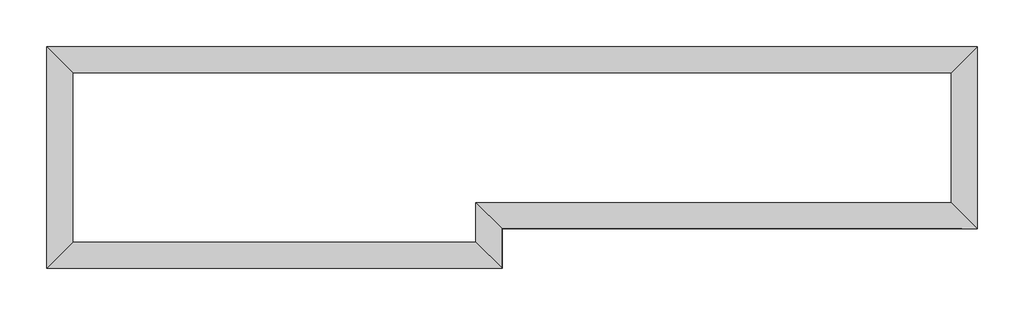
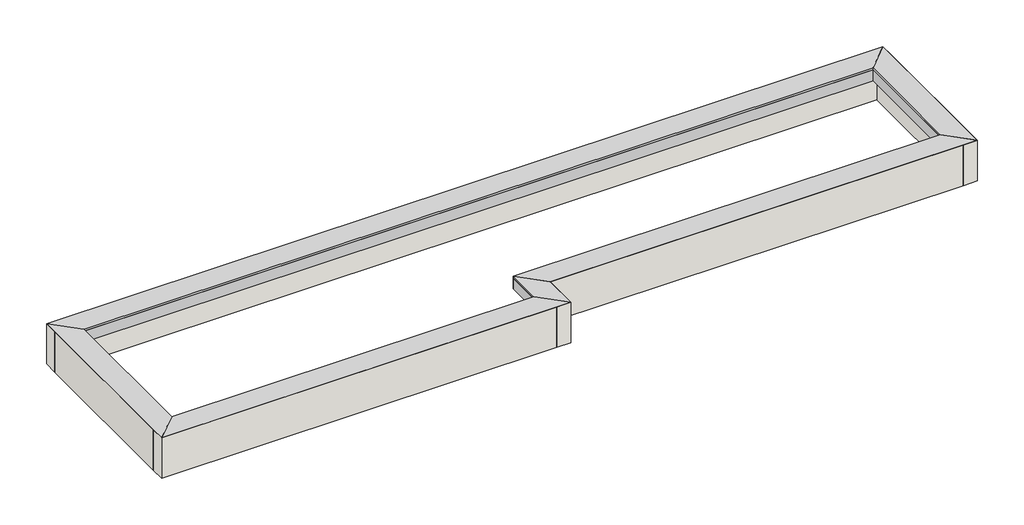
# One storey: 12 proxies, 6 walls.
"""IFC4 building model written with IfcOpenShell, lengths in millimetres."""

from ifc_helpers import new_model, si_unit, frame, origin, place, context, project, spatial, polyline, outline, extrude, faceted_brep, element, save

model = new_model("IFC4")

# Units and contexts
model_context = context("Model", 3, world=origin())
ifc_project = project(units=[si_unit("LENGTHUNIT", "METRE", prefix="MILLI")], contexts=[model_context])

# Site, building, storey
site = spatial("IfcSite", under=ifc_project)
building = spatial("IfcBuilding", under=site)
storey = spatial("IfcBuildingStorey", under=building, Elevation=35600.0)

# Proxies
placement = place(None, origin())
element("IfcBuildingElementProxy", 1, Name="Reveals", at=placement, inside=storey, context=model_context, shape_type="Brep", body=[
    faceted_brep([(-20715.9784025, 15519.6868987, 36170.0), (-20715.9784025, 15519.6868987, 36200.0), (-21045.9784025, 15849.6868987, 36200.0), (-9625.9784025, 15519.6868987, 36170.0), (-9295.9784025, 15849.6868987, 36200.0), (-9625.9784025, 15519.6868987, 36200.0)], [[[0, 1, 2]], [[3, 4, 5]], [[1, 0, 3, 5]], [[2, 1, 5, 4]], [[0, 2, 4, 3]]]),
])
element("IfcBuildingElementProxy", 2, Name="Wall Sweeps", at=placement, inside=storey, context=model_context, shape_type="Brep", body=[
    faceted_brep([(-20715.9784025, 15519.6868987, 36010.0), (-20715.9784025, 15519.6868987, 36170.0), (-21045.9784025, 15849.6868987, 36200.0), (-20845.9784025, 15649.6868987, 36010.0), (-9625.9784025, 15519.6868987, 36010.0), (-9495.9784025, 15649.6868987, 36010.0), (-9295.9784025, 15849.6868987, 36200.0), (-9625.9784025, 15519.6868987, 36170.0)], [[[0, 1, 2, 3]], [[4, 5, 6, 7]], [[1, 0, 4, 7]], [[2, 1, 7, 6]], [[3, 2, 6, 5]], [[0, 3, 5, 4]]]),
])
element("IfcBuildingElementProxy", 3, Name="Reveals", at=placement, inside=storey, context=model_context, shape_type="Brep", body=[
    faceted_brep([(-9625.9784025, 15519.6868987, 36170.0), (-9625.9784025, 15519.6868987, 36200.0), (-9295.9784025, 15849.6868987, 36200.0), (-9625.9784025, 13879.6868987, 36170.0), (-9295.9784025, 13549.6868987, 36200.0), (-9625.9784025, 13879.6868987, 36200.0)], [[[0, 1, 2]], [[3, 4, 5]], [[1, 0, 3, 5]], [[2, 1, 5, 4]], [[0, 2, 4, 3]]]),
])
element("IfcBuildingElementProxy", 4, Name="Wall Sweeps", at=placement, inside=storey, context=model_context, shape_type="Brep", body=[
    faceted_brep([(-9625.9784025, 15519.6868987, 36010.0), (-9625.9784025, 15519.6868987, 36170.0), (-9295.9784025, 15849.6868987, 36200.0), (-9495.9784025, 15649.6868987, 36010.0), (-9625.9784025, 13879.6868987, 36010.0), (-9495.9784025, 13749.6868987, 36010.0), (-9295.9784025, 13549.6868987, 36200.0), (-9625.9784025, 13879.6868987, 36170.0)], [[[0, 1, 2, 3]], [[4, 5, 6, 7]], [[1, 0, 4, 7]], [[2, 1, 7, 6]], [[3, 2, 6, 5]], [[0, 3, 5, 4]]]),
])
element("IfcBuildingElementProxy", 5, Name="Reveals", at=placement, inside=storey, context=model_context, shape_type="Brep", body=[
    faceted_brep([(-9625.9784025, 13879.6868987, 36170.0), (-9625.9784025, 13879.6868987, 36200.0), (-9295.9784025, 13549.6868987, 36200.0), (-15625.9784025, 13879.6868987, 36170.0), (-15295.9784025, 13549.6868987, 36200.0), (-15625.9784025, 13879.6868987, 36200.0)], [[[0, 1, 2]], [[3, 4, 5]], [[1, 0, 3, 5]], [[2, 1, 5, 4]], [[0, 2, 4, 3]]]),
])
element("IfcBuildingElementProxy", 6, Name="Wall Sweeps", at=placement, inside=storey, context=model_context, shape_type="Brep", body=[
    faceted_brep([(-9625.9784025, 13879.6868987, 36010.0), (-9625.9784025, 13879.6868987, 36170.0), (-9295.9784025, 13549.6868987, 36200.0), (-9495.9784025, 13749.6868987, 36010.0), (-15625.9784025, 13879.6868987, 36010.0), (-15495.9784025, 13749.6868987, 36010.0), (-15295.9784025, 13549.6868987, 36200.0), (-15625.9784025, 13879.6868987, 36170.0)], [[[0, 1, 2, 3]], [[4, 5, 6, 7]], [[1, 0, 4, 7]], [[2, 1, 7, 6]], [[3, 2, 6, 5]], [[0, 3, 5, 4]]]),
])
element("IfcBuildingElementProxy", 7, Name="Reveals", at=placement, inside=storey, context=model_context, shape_type="Brep", body=[
    faceted_brep([(-15625.9784025, 13879.6868987, 36170.0), (-15625.9784025, 13879.6868987, 36200.0), (-15295.9784025, 13549.6868987, 36200.0), (-15625.9784025, 13379.6868987, 36170.0), (-15295.9784025, 13049.6868987, 36200.0), (-15625.9784025, 13379.6868987, 36200.0)], [[[0, 1, 2]], [[3, 4, 5]], [[1, 0, 3, 5]], [[2, 1, 5, 4]], [[0, 2, 4, 3]]]),
])
element("IfcBuildingElementProxy", 8, Name="Wall Sweeps", at=placement, inside=storey, context=model_context, shape_type="Brep", body=[
    faceted_brep([(-15625.9784025, 13879.6868987, 36010.0), (-15625.9784025, 13879.6868987, 36170.0), (-15295.9784025, 13549.6868987, 36200.0), (-15495.9784025, 13749.6868987, 36010.0), (-15625.9784025, 13379.6868987, 36010.0), (-15495.9784025, 13249.6868987, 36010.0), (-15295.9784025, 13049.6868987, 36200.0), (-15625.9784025, 13379.6868987, 36170.0)], [[[0, 1, 2, 3]], [[4, 5, 6, 7]], [[1, 0, 4, 7]], [[2, 1, 7, 6]], [[3, 2, 6, 5]], [[0, 3, 5, 4]]]),
])
element("IfcBuildingElementProxy", 9, Name="Reveals", at=placement, inside=storey, context=model_context, shape_type="Brep", body=[
    faceted_brep([(-15625.9784025, 13379.6868987, 36170.0), (-15625.9784025, 13379.6868987, 36200.0), (-15295.9784025, 13049.6868987, 36200.0), (-20715.9784025, 13379.6868987, 36170.0), (-21045.9784025, 13049.6868987, 36200.0), (-20715.9784025, 13379.6868987, 36200.0)], [[[0, 1, 2]], [[3, 4, 5]], [[1, 0, 3, 5]], [[2, 1, 5, 4]], [[0, 2, 4, 3]]]),
])
element("IfcBuildingElementProxy", 10, Name="Wall Sweeps", at=placement, inside=storey, context=model_context, shape_type="Brep", body=[
    faceted_brep([(-15625.9784025, 13379.6868987, 36010.0), (-15625.9784025, 13379.6868987, 36170.0), (-15295.9784025, 13049.6868987, 36200.0), (-15495.9784025, 13249.6868987, 36010.0), (-20715.9784025, 13379.6868987, 36010.0), (-20845.9784025, 13249.6868987, 36010.0), (-21045.9784025, 13049.6868987, 36200.0), (-20715.9784025, 13379.6868987, 36170.0)], [[[0, 1, 2, 3]], [[4, 5, 6, 7]], [[1, 0, 4, 7]], [[2, 1, 7, 6]], [[3, 2, 6, 5]], [[0, 3, 5, 4]]]),
])
element("IfcBuildingElementProxy", 11, Name="Reveals", at=placement, inside=storey, context=model_context, shape_type="Brep", body=[
    faceted_brep([(-20715.9784025, 13379.6868987, 36170.0), (-20715.9784025, 13379.6868987, 36200.0), (-21045.9784025, 13049.6868987, 36200.0), (-20715.9784025, 15519.6868987, 36170.0), (-21045.9784025, 15849.6868987, 36200.0), (-20715.9784025, 15519.6868987, 36200.0)], [[[0, 1, 2]], [[3, 4, 5]], [[1, 0, 3, 5]], [[2, 1, 5, 4]], [[0, 2, 4, 3]]]),
])
element("IfcBuildingElementProxy", 12, Name="Wall Sweeps", at=placement, inside=storey, context=model_context, shape_type="Brep", body=[
    faceted_brep([(-20715.9784025, 13379.6868987, 36010.0), (-20715.9784025, 13379.6868987, 36170.0), (-21045.9784025, 13049.6868987, 36200.0), (-20845.9784025, 13249.6868987, 36010.0), (-20715.9784025, 15519.6868987, 36010.0), (-20845.9784025, 15649.6868987, 36010.0), (-21045.9784025, 15849.6868987, 36200.0), (-20715.9784025, 15519.6868987, 36170.0)], [[[0, 1, 2, 3]], [[4, 5, 6, 7]], [[1, 0, 4, 7]], [[2, 1, 7, 6]], [[3, 2, 6, 5]], [[0, 3, 5, 4]]]),
])

# Walls
element("IfcWall", 13, at=placement, inside=storey, context=model_context, shape_type="Brep", body=[
    faceted_brep([(-21045.9784025, 15649.6868987, 35600.0), (-20845.9784025, 15649.6868987, 35600.0), (-9495.9784025, 15649.6868987, 35600.0), (-9295.9784025, 15649.6868987, 35600.0), (-9295.9784025, 15649.6868987, 36200.0), (-9495.9784025, 15649.6868987, 36010.0), (-20845.9784025, 15649.6868987, 36010.0), (-21045.9784025, 15649.6868987, 36200.0), (-9295.9784025, 15849.6868987, 35600.0), (-21045.9784025, 15849.6868987, 35600.0), (-21045.9784025, 15849.6868987, 36200.0), (-9295.9784025, 15849.6868987, 36200.0)], [[[0, 1, 2, 3, 4, 5, 6, 7]], [[8, 9, 10, 11]], [[3, 2, 1, 0, 9, 8]], [[10, 6, 5, 11]], [[4, 3, 8, 11]], [[11, 5, 4]], [[0, 7, 10, 9]], [[6, 10, 7]]]),
])
element("IfcWall", 14, at=placement, inside=storey, context=model_context, shape_type="Brep", body=[
    faceted_brep([(-9495.9784025, 15649.6868987, 35600.0), (-9495.9784025, 13749.6868987, 35600.0), (-9495.9784025, 13549.6868987, 35600.0), (-9495.9784025, 13549.6868987, 36200.0), (-9495.9784025, 13749.6868987, 36010.0), (-9495.9784025, 15649.6868987, 36010.0), (-9295.9784025, 13549.6868987, 35600.0), (-9295.9784025, 15649.6868987, 35600.0), (-9295.9784025, 15649.6868987, 36200.0), (-9295.9784025, 13549.6868987, 36200.0)], [[[0, 1, 2, 3, 4, 5]], [[6, 7, 8, 9]], [[2, 1, 0, 7, 6]], [[4, 9, 8, 5]], [[8, 7, 0, 5]], [[3, 2, 6, 9]], [[9, 4, 3]]]),
])
element("IfcWall", 15, at=placement, inside=storey, context=model_context, shape_type="SweptSolid", body=[
    extrude(outline(polyline([(13749.6868987, 35600.0), (13549.6868987, 35600.0), (13549.6868987, 36200.0), (13749.6868987, 36010.0), (13749.6868987, 35600.0)])), frame((-15295.9784025, 0.0, 0.0), z_axis=(1.0, 0.0, 0.0), x_axis=(0.0, 1.0, 0.0)), (0.0, 0.0, 1.0), 5800.0),
])
element("IfcWall", 16, at=placement, inside=storey, context=model_context, shape_type="Brep", body=[
    faceted_brep([(-15495.9784025, 13749.6868987, 35600.0), (-15495.9784025, 13249.6868987, 35600.0), (-15495.9784025, 13049.6868987, 35600.0), (-15495.9784025, 13049.6868987, 36200.0), (-15495.9784025, 13249.6868987, 36010.0), (-15495.9784025, 13749.6868987, 36010.0), (-15295.9784025, 13049.6868987, 35600.0), (-15295.9784025, 13549.6868987, 35600.0), (-15295.9784025, 13749.6868987, 35600.0), (-15295.9784025, 13749.6868987, 36010.0), (-15295.9784025, 13549.6868987, 36200.0), (-15295.9784025, 13049.6868987, 36200.0)], [[[0, 1, 2, 3, 4, 5]], [[6, 7, 8, 9, 10, 11]], [[2, 1, 0, 8, 7, 6]], [[10, 5, 4, 11]], [[8, 0, 5, 9]], [[5, 10, 9]], [[3, 2, 6, 11]], [[11, 4, 3]]]),
])
element("IfcWall", 17, at=placement, inside=storey, context=model_context, shape_type="Brep", body=[
    faceted_brep([(-15495.9784025, 13249.6868987, 35600.0), (-20845.9784025, 13249.6868987, 35600.0), (-21045.9784025, 13249.6868987, 35600.0), (-21045.9784025, 13249.6868987, 36200.0), (-20845.9784025, 13249.6868987, 36010.0), (-15495.9784025, 13249.6868987, 36010.0), (-21045.9784025, 13049.6868987, 35600.0), (-15495.9784025, 13049.6868987, 35600.0), (-15495.9784025, 13049.6868987, 36200.0), (-21045.9784025, 13049.6868987, 36200.0)], [[[0, 1, 2, 3, 4, 5]], [[6, 7, 8, 9]], [[2, 1, 0, 7, 6]], [[4, 9, 8, 5]], [[8, 7, 0, 5]], [[3, 2, 6, 9]], [[9, 4, 3]]]),
])
element("IfcWall", 18, at=placement, inside=storey, context=model_context, shape_type="SweptSolid", body=[
    extrude(outline(polyline([(36200.0, -21045.9784025), (35600.0, -21045.9784025), (35600.0, -20845.9784025), (36010.0, -20845.9784025), (36200.0, -21045.9784025)])), frame((0.0, 13249.6868987, 0.0), z_axis=(0.0, 1.0, 0.0), x_axis=(0.0, 0.0, 1.0)), (0.0, 0.0, 1.0), 2400.0),
])

save(model, "model.ifc")
